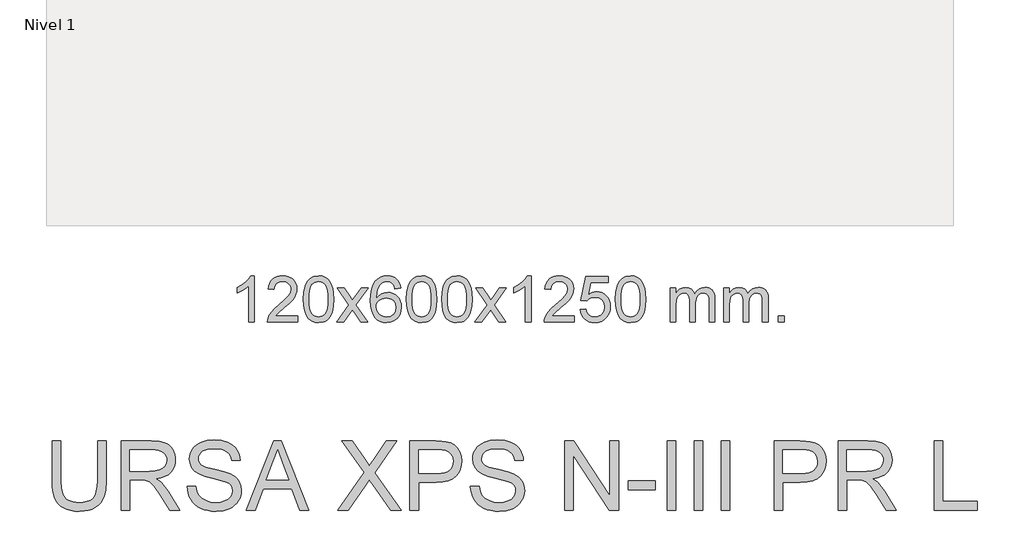
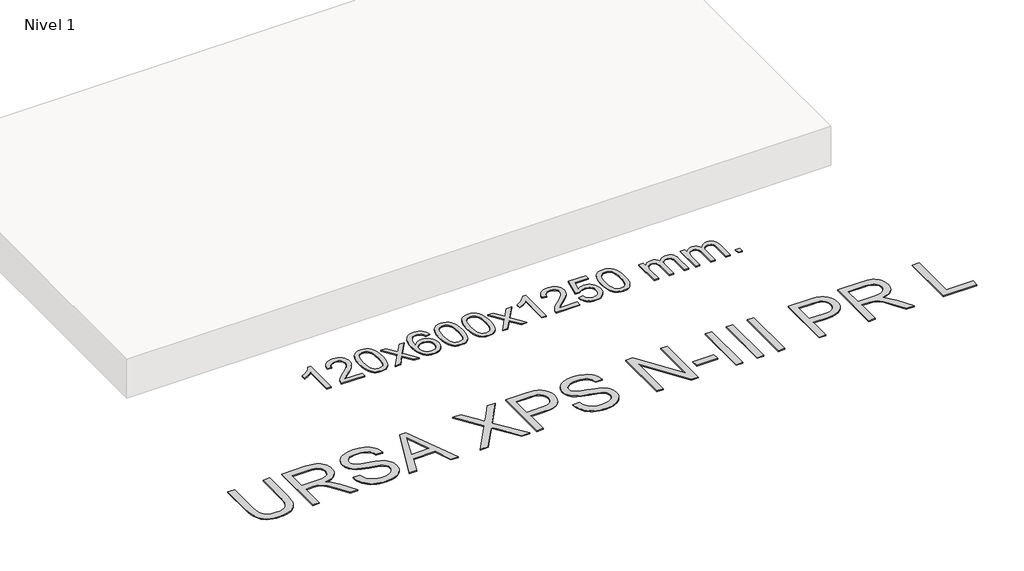
# One storey, part 4 of 5: 2 proxies.
"""IFC4 building model written with IfcOpenShell, lengths in millimetres."""

from ifc_helpers import new_model, si_unit, origin, origin_with_axes, place, context, project, spatial, polyline, outline, extrude, element, save

model = new_model("IFC4")

# Units and contexts
model_context = context("Model", 3, world=origin())
ifc_project = project(units=[si_unit("LENGTHUNIT", "METRE", prefix="MILLI")], contexts=[model_context])

# Site, building, storey
site = spatial("IfcSite", under=ifc_project)
building = spatial("IfcBuilding", under=site)
storey = spatial("IfcBuildingStorey", under=building, Name="Nivel 1", Elevation=0.0)

# Proxies
placement = place(None, origin())
element("IfcBuildingElementProxy", 1, Name="Texto de modelo 1", ObjectType="Texto de modelo 1", at=placement, inside=storey, context=model_context, shape_type="SweptSolid", body=[
    extrude(outline(polyline([(-11506.2923798, -12784.6168569), (-11556.5205348, -12784.6168569), (-11556.5205348, -12471.4757026), (-11577.4898086, -12488.4350626), (-11604.0999396, -12505.3698971), (-11656.976845, -12530.7292293), (-11656.976845, -12483.2479264), (-11617.5276324, -12461.7881434), (-11583.351395, -12436.2571329), (-11556.4101702, -12409.1074417), (-11538.6659953, -12382.7916163), (-11506.2923798, -12382.7916163), (-11506.2923798, -12784.6168569)])), origin_with_axes(), (0.0, 0.0, 1.0), 10.0),
    extrude(outline(polyline([(-11129.5812167, -12734.3887018), (-11129.5812167, -12784.6168569), (-11393.2790309, -12784.6168569), (-11392.1753849, -12766.9339956), (-11387.8834283, -12749.9868984), (-11375.4980678, -12722.9230463), (-11357.3737481, -12696.6685346), (-11331.1560246, -12669.1877495), (-11294.4904524, -12638.4450775), (-11240.2891718, -12590.301587), (-11207.7684034, -12554.7641863), (-11191.5080192, -12525.9222379), (-11186.0878912, -12497.8651044), (-11191.2014509, -12472.7142386), (-11206.5421301, -12451.8062786), (-11230.123366, -12437.7163982), (-11259.9585958, -12433.0197713), (-11291.2898791, -12437.6060336), (-11315.6314044, -12451.3648202), (-11331.3399656, -12473.2170107), (-11336.7723564, -12502.0834846), (-11387.0005115, -12495.8049652), (-11382.6809637, -12469.8754159), (-11374.8236174, -12447.2200164), (-11363.4284726, -12427.8387666), (-11348.4955293, -12411.7316666), (-11330.368144, -12399.0703946), (-11309.3896732, -12390.0266288), (-11285.560117, -12384.6003694), (-11258.8794753, -12382.7916163), (-11231.9597103, -12384.8027045), (-11208.0013953, -12390.8359692), (-11187.0045305, -12400.8914104), (-11168.9691157, -12414.9690281), (-11154.4837621, -12432.02649), (-11144.137081, -12451.0214636), (-11137.9290723, -12471.9539492), (-11135.8597361, -12494.8239465), (-11138.0915535, -12518.8466408), (-11144.7870058, -12542.4524022), (-11156.6695943, -12566.4628337), (-11174.4628201, -12591.6995386), (-11202.8265219, -12621.829074), (-11246.4205384, -12660.5179972), (-11304.2025371, -12708.8331659), (-11326.864068, -12734.3887018), (-11129.5812167, -12734.3887018)])), origin_with_axes(), (0.0, 0.0, 1.0), 10.0),
    extrude(outline(polyline([(-11079.3530616, -12586.9415981), (-11075.6619789, -12522.6235626), (-11064.5887309, -12471.3285498), (-11046.2436821, -12432.2717446), (-11034.3856191, -12417.0383643), (-11020.7371971, -12404.6683323), (-11005.2524308, -12395.097269), (-10987.8853349, -12388.2607953), (-10947.5041546, -12382.7916163), (-10916.553016, -12386.0289778), (-10888.8392391, -12395.7410625), (-10865.6626734, -12411.5477256), (-10848.3231687, -12433.0688223), (-10835.2265696, -12460.1204117), (-10824.778721, -12492.5185527), (-10817.9361159, -12533.6600225), (-10815.6552475, -12586.9415981), (-10819.309542, -12650.8917516), (-10830.2724254, -12702.0641372), (-10848.5071097, -12741.1577305), (-10860.3375815, -12756.437096), (-10873.9768065, -12768.8715075), (-10889.4799669, -12778.5069501), (-10906.902245, -12785.3894091), (-10947.5041546, -12790.8953763), (-10975.1688806, -12788.5041433), (-10999.6943469, -12781.3304444), (-11021.0805536, -12769.3742795), (-11039.3275006, -12752.6356488), (-11056.8386835, -12722.3773547), (-11069.3466714, -12684.6755815), (-11076.8514641, -12639.5303293), (-11079.3530616, -12586.9415981)]), holes=[polyline([(-11029.1249066, -12586.8434963), (-11027.6533786, -12630.5080234), (-11023.2387946, -12665.8522861), (-11015.8811547, -12692.8762843), (-11005.5804589, -12711.5800181), (-10993.121522, -12724.3056694), (-10979.2891589, -12733.3954204), (-10964.0833698, -12738.849271), (-10947.5041546, -12740.6672212), (-10930.9249393, -12738.8431396), (-10915.7191502, -12733.3708949), (-10901.8867872, -12724.2504871), (-10889.4278503, -12711.4819162), (-10879.1271544, -12692.7475256), (-10871.7695145, -12665.7296588), (-10867.3549305, -12630.4283156), (-10865.8834026, -12586.8434963), (-10867.3058796, -12544.3347317), (-10871.5733108, -12509.6128027), (-10878.685696, -12482.6777093), (-10888.6430353, -12463.5294515), (-10900.8935058, -12450.1814664), (-10914.8852843, -12440.6471914), (-10930.618371, -12434.9266264), (-10948.0927658, -12433.0197713), (-10964.5861419, -12434.6997658), (-10979.5344136, -12439.7397491), (-10992.937581, -12448.1397213), (-11004.7956439, -12459.8996825), (-11015.4396963, -12480.7463289), (-11023.0425909, -12508.8525133), (-11027.6043276, -12544.2182358), (-11029.1249066, -12586.8434963)])]), origin_with_axes(), (0.0, 0.0, 1.0), 10.0),
    extrude(outline(polyline([(-10790.54117, -12784.6168569), (-10683.2177292, -12636.2868364), (-10784.2626506, -12489.5264458), (-10723.8319015, -12489.5264458), (-10675.0752744, -12560.1597889), (-10652.3156416, -12593.5144231), (-10632.5971667, -12566.2421045), (-10577.0715109, -12489.5264458), (-10516.6407618, -12489.5264458), (-10622.7869802, -12636.2868364), (-10520.5648364, -12784.6168569), (-10580.9955855, -12784.6168569), (-10642.5054551, -12695.4422612), (-10653.7871696, -12679.1573516), (-10730.1104209, -12784.6168569), (-10790.54117, -12784.6168569)])), origin_with_axes(), (0.0, 0.0, 1.0), 10.0),
    extrude(outline(polyline([(-10231.7529447, -12489.5264458), (-10281.9810998, -12495.8049652), (-10290.0745037, -12470.9116168), (-10301.0128617, -12453.9154687), (-10323.7970199, -12438.2436957), (-10351.3391186, -12433.0197713), (-10374.6873626, -12436.0609292), (-10396.6621805, -12445.1844027), (-10415.5345268, -12464.4001055), (-10430.9487824, -12490.850821), (-10441.3598429, -12528.2644199), (-10445.2226038, -12580.3687731), (-10425.0749332, -12556.8611137), (-10400.9296116, -12540.2941611), (-10374.1355396, -12530.4717119), (-10346.0416179, -12527.1975621), (-10321.908559, -12529.4355109), (-10299.6394356, -12536.1493573), (-10279.2342476, -12547.3391013), (-10260.692995, -12563.004743), (-10245.2848708, -12582.2143145), (-10234.2790678, -12604.0358482), (-10227.675586, -12628.469344), (-10225.4744254, -12655.514802), (-10229.6192292, -12691.4813984), (-10242.0536406, -12724.8237699), (-10261.7475901, -12753.1016326), (-10287.671008, -12773.8747026), (-10318.646672, -12786.6402078), (-10353.4973597, -12790.8953763), (-10383.4398884, -12788.0749476), (-10410.4822807, -12779.6136617), (-10434.6245367, -12765.5115186), (-10455.8666562, -12745.7685182), (-10473.1847011, -12719.5507947), (-10485.5547332, -12686.0244822), (-10492.9767525, -12645.1895807), (-10495.4507589, -12597.0460903), (-10492.7039067, -12543.0716702), (-10484.46335, -12497.006713), (-10470.7290888, -12458.8512188), (-10451.5011232, -12428.6051874), (-10430.6606082, -12408.56175), (-10406.4968925, -12394.2450091), (-10379.009976, -12385.6549645), (-10348.199859, -12382.7916163), (-10325.0662128, -12384.5635812), (-10304.1275959, -12389.879476), (-10285.3840083, -12398.7393008), (-10268.8354499, -12411.1430554), (-10254.9295104, -12426.6738069), (-10244.1137798, -12444.9146225), (-10236.3882579, -12465.8655021), (-10231.7529447, -12489.5264458)]), holes=[polyline([(-10445.2226038, -12654.7299871), (-10442.3163361, -12676.9868478), (-10433.5975328, -12698.2381644), (-10420.0594753, -12716.5096368), (-10402.6954452, -12729.8269651), (-10381.7384342, -12737.9571571), (-10357.4214343, -12740.6672212), (-10324.2752665, -12735.0508894), (-10310.3601301, -12728.0304746), (-10298.2169585, -12718.201894), (-10288.3669181, -12705.9636863), (-10281.331175, -12691.7143904), (-10275.7025804, -12657.1825337), (-10281.2575986, -12624.036366), (-10288.2013712, -12610.4155351), (-10297.9226529, -12598.7628729), (-10310.1026127, -12589.4278673), (-10324.4224193, -12582.7600061), (-10359.4815735, -12577.4257172), (-10392.5786903, -12582.7600061), (-10420.2556791, -12598.7628729), (-10431.1787086, -12610.2622509), (-10438.9808726, -12623.4232293), (-10443.662171, -12638.245808), (-10445.2226038, -12654.7299871)])]), origin_with_axes(), (0.0, 0.0, 1.0), 10.0),
    extrude(outline(polyline([(-10181.5247897, -12586.9415981), (-10177.833707, -12522.6235626), (-10166.7604589, -12471.3285498), (-10148.4154101, -12432.2717446), (-10136.5573471, -12417.0383643), (-10122.9089251, -12404.6683323), (-10107.4241588, -12395.097269), (-10090.0570629, -12388.2607953), (-10049.6758826, -12382.7916163), (-10018.7247441, -12386.0289778), (-9991.0109671, -12395.7410625), (-9967.8344014, -12411.5477256), (-9950.4948967, -12433.0688223), (-9937.3982977, -12460.1204117), (-9926.950449, -12492.5185527), (-9920.1078439, -12533.6600225), (-9917.8269755, -12586.9415981), (-9921.48127, -12650.8917516), (-9932.4441535, -12702.0641372), (-9950.6788377, -12741.1577305), (-9962.5093095, -12756.437096), (-9976.1485345, -12768.8715075), (-9991.6516949, -12778.5069501), (-10009.0739731, -12785.3894091), (-10049.6758826, -12790.8953763), (-10077.3406086, -12788.5041433), (-10101.866075, -12781.3304444), (-10123.2522816, -12769.3742795), (-10141.4992286, -12752.6356488), (-10159.0104116, -12722.3773547), (-10171.5183994, -12684.6755815), (-10179.0231921, -12639.5303293), (-10181.5247897, -12586.9415981)]), holes=[polyline([(-10131.2966346, -12586.8434963), (-10129.8251066, -12630.5080234), (-10125.4105227, -12665.8522861), (-10118.0528828, -12692.8762843), (-10107.7521869, -12711.5800181), (-10095.29325, -12724.3056694), (-10081.460887, -12733.3954204), (-10066.2550978, -12738.849271), (-10049.6758826, -12740.6672212), (-10033.0966674, -12738.8431396), (-10017.8908782, -12733.3708949), (-10004.0585152, -12724.2504871), (-9991.5995783, -12711.4819162), (-9981.2988824, -12692.7475256), (-9973.9412425, -12665.7296588), (-9969.5266586, -12630.4283156), (-9968.0551306, -12586.8434963), (-9969.4776077, -12544.3347317), (-9973.7450388, -12509.6128027), (-9980.857424, -12482.6777093), (-9990.8147634, -12463.5294515), (-10003.0652338, -12450.1814664), (-10017.0570124, -12440.6471914), (-10032.790099, -12434.9266264), (-10050.2644938, -12433.0197713), (-10066.7578699, -12434.6997658), (-10081.7061416, -12439.7397491), (-10095.109309, -12448.1397213), (-10106.967372, -12459.8996825), (-10117.6114244, -12480.7463289), (-10125.2143189, -12508.8525133), (-10129.7760557, -12544.2182358), (-10131.2966346, -12586.8434963)])]), origin_with_axes(), (0.0, 0.0, 1.0), 10.0),
    extrude(outline(polyline([(-9873.8773398, -12586.9415981), (-9870.1862572, -12522.6235626), (-9859.1130091, -12471.3285498), (-9840.7679603, -12432.2717446), (-9828.9098973, -12417.0383643), (-9815.2614753, -12404.6683323), (-9799.776709, -12395.097269), (-9782.4096131, -12388.2607953), (-9742.0284328, -12382.7916163), (-9711.0772942, -12386.0289778), (-9683.3635173, -12395.7410625), (-9660.1869516, -12411.5477256), (-9642.8474469, -12433.0688223), (-9629.7508478, -12460.1204117), (-9619.3029992, -12492.5185527), (-9612.4603941, -12533.6600225), (-9610.1795257, -12586.9415981), (-9613.8338202, -12650.8917516), (-9624.7967036, -12702.0641372), (-9643.0313879, -12741.1577305), (-9654.8618597, -12756.437096), (-9668.5010847, -12768.8715075), (-9684.0042451, -12778.5069501), (-9701.4265232, -12785.3894091), (-9742.0284328, -12790.8953763), (-9769.6931588, -12788.5041433), (-9794.2186251, -12781.3304444), (-9815.6048318, -12769.3742795), (-9833.8517788, -12752.6356488), (-9851.3629617, -12722.3773547), (-9863.8709496, -12684.6755815), (-9871.3757423, -12639.5303293), (-9873.8773398, -12586.9415981)]), holes=[polyline([(-9823.6491848, -12586.8434963), (-9822.1776568, -12630.5080234), (-9817.7630728, -12665.8522861), (-9810.4054329, -12692.8762843), (-9800.1047371, -12711.5800181), (-9787.6458002, -12724.3056694), (-9773.8134372, -12733.3954204), (-9758.607648, -12738.849271), (-9742.0284328, -12740.6672212), (-9725.4492175, -12738.8431396), (-9710.2434284, -12733.3708949), (-9696.4110654, -12724.2504871), (-9683.9521285, -12711.4819162), (-9673.6514326, -12692.7475256), (-9666.2937927, -12665.7296588), (-9661.8792088, -12630.4283156), (-9660.4076808, -12586.8434963), (-9661.8301578, -12544.3347317), (-9666.097589, -12509.6128027), (-9673.2099742, -12482.6777093), (-9683.1673135, -12463.5294515), (-9695.417784, -12450.1814664), (-9709.4095625, -12440.6471914), (-9725.1426492, -12434.9266264), (-9742.617044, -12433.0197713), (-9759.1104201, -12434.6997658), (-9774.0586918, -12439.7397491), (-9787.4618592, -12448.1397213), (-9799.3199221, -12459.8996825), (-9809.9639745, -12480.7463289), (-9817.5668691, -12508.8525133), (-9822.1286058, -12544.2182358), (-9823.6491848, -12586.8434963)])]), origin_with_axes(), (0.0, 0.0, 1.0), 10.0),
    extrude(outline(polyline([(-9585.0654482, -12784.6168569), (-9477.7420074, -12636.2868364), (-9578.7869288, -12489.5264458), (-9518.3561797, -12489.5264458), (-9469.5995526, -12560.1597889), (-9446.8399198, -12593.5144231), (-9427.1214449, -12566.2421045), (-9371.5957891, -12489.5264458), (-9311.16504, -12489.5264458), (-9417.3112584, -12636.2868364), (-9315.0891146, -12784.6168569), (-9375.5198637, -12784.6168569), (-9437.0297333, -12695.4422612), (-9448.3114478, -12679.1573516), (-9524.6346991, -12784.6168569), (-9585.0654482, -12784.6168569)])), origin_with_axes(), (0.0, 0.0, 1.0), 10.0),
    extrude(outline(polyline([(-9095.3409362, -12784.6168569), (-9145.5690913, -12784.6168569), (-9145.5690913, -12471.4757026), (-9166.538365, -12488.4350626), (-9193.148496, -12505.3698971), (-9246.0254014, -12530.7292293), (-9246.0254014, -12483.2479264), (-9206.5761888, -12461.7881434), (-9172.3999514, -12436.2571329), (-9145.4587267, -12409.1074417), (-9127.7145518, -12382.7916163), (-9095.3409362, -12382.7916163), (-9095.3409362, -12784.6168569)])), origin_with_axes(), (0.0, 0.0, 1.0), 10.0),
    extrude(outline(polyline([(-8718.6297731, -12734.3887018), (-8718.6297731, -12784.6168569), (-8982.3275873, -12784.6168569), (-8981.2239413, -12766.9339956), (-8976.9319847, -12749.9868984), (-8964.5466242, -12722.9230463), (-8946.4223045, -12696.6685346), (-8920.204581, -12669.1877495), (-8883.5390088, -12638.4450775), (-8829.3377282, -12590.301587), (-8796.8169598, -12554.7641863), (-8780.5565756, -12525.9222379), (-8775.1364476, -12497.8651044), (-8780.2500073, -12472.7142386), (-8795.5906865, -12451.8062786), (-8819.1719224, -12437.7163982), (-8849.0071522, -12433.0197713), (-8880.3384355, -12437.6060336), (-8904.6799608, -12451.3648202), (-8920.388522, -12473.2170107), (-8925.8209128, -12502.0834846), (-8976.0490679, -12495.8049652), (-8971.7295201, -12469.8754159), (-8963.8721738, -12447.2200164), (-8952.477029, -12427.8387666), (-8937.5440857, -12411.7316666), (-8919.4167004, -12399.0703946), (-8898.4382296, -12390.0266288), (-8874.6086734, -12384.6003694), (-8847.9280317, -12382.7916163), (-8821.0082667, -12384.8027045), (-8797.0499518, -12390.8359692), (-8776.0530869, -12400.8914104), (-8758.0176721, -12414.9690281), (-8743.5323185, -12432.02649), (-8733.1856374, -12451.0214636), (-8726.9776287, -12471.9539492), (-8724.9082925, -12494.8239465), (-8727.1401099, -12518.8466408), (-8733.8355623, -12542.4524022), (-8745.7181507, -12566.4628337), (-8763.5113765, -12591.6995386), (-8791.8750784, -12621.829074), (-8835.4690948, -12660.5179972), (-8893.2510935, -12708.8331659), (-8915.9126244, -12734.3887018), (-8718.6297731, -12734.3887018)])), origin_with_axes(), (0.0, 0.0, 1.0), 10.0),
    extrude(outline(polyline([(-8668.401618, -12677.8820273), (-8618.173463, -12671.603508), (-8608.9518876, -12701.7575688), (-8592.8631817, -12723.3522419), (-8569.9809216, -12736.3384764), (-8540.3786837, -12740.6672212), (-8521.24882, -12739.1619707), (-8504.3752991, -12734.6462192), (-8489.7581212, -12727.1199667), (-8477.3972861, -12716.5832132), (-8467.5687055, -12703.5571249), (-8460.5482908, -12688.5628679), (-8454.931959, -12652.6698479), (-8460.1926715, -12618.8737553), (-8466.7685622, -12604.9555532), (-8475.9748091, -12593.0239138), (-8487.8420691, -12583.4528505), (-8502.4009991, -12576.6163768), (-8539.5938688, -12571.1471978), (-8563.9599196, -12573.3299643), (-8583.6906573, -12579.8782638), (-8599.4482694, -12589.9091796), (-8611.8949436, -12602.5397947), (-8662.1230987, -12596.2612753), (-8618.173463, -12389.0701357), (-8423.5393621, -12389.0701357), (-8423.5393621, -12439.2982907), (-8577.5592907, -12439.2982907), (-8599.0435992, -12549.9571949), (-8581.3178184, -12537.2530033), (-8563.162842, -12528.1785808), (-8544.5786698, -12522.7339272), (-8525.565302, -12520.9190427), (-8501.1042151, -12523.1692543), (-8478.6358222, -12529.9198889), (-8458.1601235, -12541.1709466), (-8439.6771189, -12556.9224273), (-8424.3762936, -12576.2117066), (-8413.4471327, -12598.0761598), (-8406.8896361, -12622.5157871), (-8404.7038039, -12649.5305882), (-8406.6719726, -12675.552108), (-8412.5764786, -12699.7587433), (-8422.417322, -12722.1504941), (-8436.1945027, -12742.7273604), (-8457.0656745, -12763.8008673), (-8481.4194626, -12778.8533723), (-8509.2558669, -12787.8848753), (-8540.5748875, -12790.8953763), (-8566.4952397, -12788.9609301), (-8589.907863, -12783.1575916), (-8610.8127574, -12773.4853608), (-8629.2099228, -12759.9442377), (-8644.5168795, -12743.2086726), (-8656.1511476, -12723.9531159), (-8664.1127271, -12702.1775674), (-8668.401618, -12677.8820273)])), origin_with_axes(), (0.0, 0.0, 1.0), 10.0),
    extrude(outline(polyline([(-8360.7541682, -12586.9415981), (-8357.0630855, -12522.6235626), (-8345.9898375, -12471.3285498), (-8327.6447886, -12432.2717446), (-8315.7867257, -12417.0383643), (-8302.1383036, -12404.6683323), (-8286.6535373, -12395.097269), (-8269.2864415, -12388.2607953), (-8228.9052611, -12382.7916163), (-8197.9541226, -12386.0289778), (-8170.2403456, -12395.7410625), (-8147.0637799, -12411.5477256), (-8129.7242752, -12433.0688223), (-8116.6276762, -12460.1204117), (-8106.1798275, -12492.5185527), (-8099.3372224, -12533.6600225), (-8097.0563541, -12586.9415981), (-8100.7106486, -12650.8917516), (-8111.673532, -12702.0641372), (-8129.9082162, -12741.1577305), (-8141.7386881, -12756.437096), (-8155.377913, -12768.8715075), (-8170.8810734, -12778.5069501), (-8188.3033516, -12785.3894091), (-8228.9052611, -12790.8953763), (-8256.5699872, -12788.5041433), (-8281.0954535, -12781.3304444), (-8302.4816602, -12769.3742795), (-8320.7286071, -12752.6356488), (-8338.2397901, -12722.3773547), (-8350.7477779, -12684.6755815), (-8358.2525706, -12639.5303293), (-8360.7541682, -12586.9415981)]), holes=[polyline([(-8310.5260131, -12586.8434963), (-8309.0544852, -12630.5080234), (-8304.6399012, -12665.8522861), (-8297.2822613, -12692.8762843), (-8286.9815654, -12711.5800181), (-8274.5226285, -12724.3056694), (-8260.6902655, -12733.3954204), (-8245.4844764, -12738.849271), (-8228.9052611, -12740.6672212), (-8212.3260459, -12738.8431396), (-8197.1202568, -12733.3708949), (-8183.2878937, -12724.2504871), (-8170.8289568, -12711.4819162), (-8160.528261, -12692.7475256), (-8153.1706211, -12665.7296588), (-8148.7560371, -12630.4283156), (-8147.2845091, -12586.8434963), (-8148.7069862, -12544.3347317), (-8152.9744173, -12509.6128027), (-8160.0868026, -12482.6777093), (-8170.0441419, -12463.5294515), (-8182.2946123, -12450.1814664), (-8196.2863909, -12440.6471914), (-8212.0194776, -12434.9266264), (-8229.4938723, -12433.0197713), (-8245.9872484, -12434.6997658), (-8260.9355202, -12439.7397491), (-8274.3386875, -12448.1397213), (-8286.1967505, -12459.8996825), (-8296.8408029, -12480.7463289), (-8304.4436975, -12508.8525133), (-8309.0054342, -12544.2182358), (-8310.5260131, -12586.8434963)])]), origin_with_axes(), (0.0, 0.0, 1.0), 10.0),
    extrude(outline(polyline([(-7883.586695, -12784.6168569), (-7883.586695, -12489.5264458), (-7833.3585399, -12489.5264458), (-7833.3585399, -12538.0868692), (-7818.2508527, -12515.7809575), (-7798.8266833, -12498.3065628), (-7775.7482195, -12487.0125855), (-7749.6776488, -12483.2479264), (-7721.7431426, -12487.0861619), (-7699.3513918, -12498.6008684), (-7682.6250238, -12517.0317563), (-7671.6866658, -12541.6185363), (-7653.3784052, -12516.0813945), (-7632.4949706, -12497.8405789), (-7609.036362, -12486.8960895), (-7583.0025795, -12483.2479264), (-7562.8947628, -12484.7654397), (-7545.245624, -12489.3179793), (-7530.0551633, -12496.9055455), (-7517.3233806, -12507.5281381), (-7507.2587423, -12521.3083845), (-7500.069715, -12538.368912), (-7495.7562986, -12558.7097207), (-7494.3184932, -12582.3308105), (-7494.3184932, -12784.6168569), (-7544.5466482, -12784.6168569), (-7544.5466482, -12603.9132208), (-7545.7116079, -12578.860457), (-7549.2064868, -12561.9746734), (-7555.7547864, -12550.410916), (-7566.0800077, -12541.3242307), (-7579.3605477, -12535.4381188), (-7594.7748033, -12533.4760815), (-7621.9858082, -12538.5038021), (-7644.1690925, -12553.5869639), (-7652.7744655, -12565.1568526), (-7658.9211605, -12579.7556365), (-7663.8385165, -12618.0398895), (-7663.8385165, -12784.6168569), (-7714.0666716, -12784.6168569), (-7714.0666716, -12598.3214145), (-7716.9729394, -12569.9209245), (-7725.6917427, -12549.6628893), (-7741.0324219, -12537.5227834), (-7763.8043174, -12533.4760815), (-7783.1549103, -12536.1738828), (-7800.9849243, -12544.2672867), (-7815.7002042, -12557.5600894), (-7825.7065944, -12575.8560873), (-7831.4455535, -12601.239945), (-7833.3585399, -12635.7963271), (-7833.3585399, -12784.6168569), (-7883.586695, -12784.6168569)])), origin_with_axes(), (0.0, 0.0, 1.0), 10.0),
    extrude(outline(polyline([(-7418.9762606, -12784.6168569), (-7418.9762606, -12489.5264458), (-7368.7481055, -12489.5264458), (-7368.7481055, -12538.0868692), (-7353.6404182, -12515.7809575), (-7334.2162489, -12498.3065628), (-7311.137785, -12487.0125855), (-7285.0672143, -12483.2479264), (-7257.1327081, -12487.0861619), (-7234.7409574, -12498.6008684), (-7218.0145893, -12517.0317563), (-7207.0762313, -12541.6185363), (-7188.7679707, -12516.0813945), (-7167.8845361, -12497.8405789), (-7144.4259276, -12486.8960895), (-7118.392145, -12483.2479264), (-7098.2843283, -12484.7654397), (-7080.6351896, -12489.3179793), (-7065.4447289, -12496.9055455), (-7052.7129462, -12507.5281381), (-7042.6483079, -12521.3083845), (-7035.4592806, -12538.368912), (-7031.1458642, -12558.7097207), (-7029.7080587, -12582.3308105), (-7029.7080587, -12784.6168569), (-7079.9362138, -12784.6168569), (-7079.9362138, -12603.9132208), (-7081.1011735, -12578.860457), (-7084.5960524, -12561.9746734), (-7091.1443519, -12550.410916), (-7101.4695733, -12541.3242307), (-7114.7501133, -12535.4381188), (-7130.1643689, -12533.4760815), (-7157.3753738, -12538.5038021), (-7179.5586581, -12553.5869639), (-7188.1640311, -12565.1568526), (-7194.3107261, -12579.7556365), (-7199.2280821, -12618.0398895), (-7199.2280821, -12784.6168569), (-7249.4562372, -12784.6168569), (-7249.4562372, -12598.3214145), (-7252.3625049, -12569.9209245), (-7261.0813082, -12549.6628893), (-7276.4219874, -12537.5227834), (-7299.1938829, -12533.4760815), (-7318.5444759, -12536.1738828), (-7336.3744899, -12544.2672867), (-7351.0897697, -12557.5600894), (-7361.09616, -12575.8560873), (-7366.8351191, -12601.239945), (-7368.7481055, -12635.7963271), (-7368.7481055, -12784.6168569), (-7418.9762606, -12784.6168569)])), origin_with_axes(), (0.0, 0.0, 1.0), 10.0),
    extrude(outline(polyline([(-6941.8087873, -12784.6168569), (-6941.8087873, -12734.3887018), (-6891.5806323, -12734.3887018), (-6891.5806323, -12784.6168569), (-6941.8087873, -12784.6168569)])), origin_with_axes(), (0.0, 0.0, 1.0), 10.0),
])
element("IfcBuildingElementProxy", 2, Name="Texto de modelo 3", ObjectType="Texto de modelo 3", at=placement, inside=storey, context=model_context, shape_type="SweptSolid", body=[
    extrude(outline(polyline([(-12872.9793286, -13823.3522814), (-12797.637096, -13823.3522814), (-12797.637096, -14171.0743432), (-12802.7506557, -14252.5050228), (-12809.1426054, -14286.1984151), (-12818.0913349, -14315.2105089), (-12830.3693965, -14340.6403518), (-12846.7493424, -14363.5869913), (-12867.2311724, -14384.0504273), (-12891.8148868, -14402.0306598), (-12920.5280765, -14416.6769617), (-12953.3983328, -14427.1386059), (-12990.4256556, -14433.4155925), (-13031.6100449, -14435.5079213), (-13071.7781603, -14433.6869055), (-13108.1111058, -14428.2238578), (-13140.6088816, -14419.1187784), (-13169.2714875, -14406.3716673), (-13194.1035222, -14390.1710639), (-13215.1095841, -14370.7055079), (-13232.2896733, -14347.9749991), (-13245.6437897, -14321.9795376), (-13255.6547785, -14291.8270096), (-13262.8054848, -14256.6253012), (-13267.0959086, -14216.3744124), (-13268.5260498, -14171.0743432), (-13268.5260498, -13823.3522814), (-13193.1838172, -13823.3522814), (-13193.1838172, -14168.4255928), (-13189.4682091, -14236.134274), (-13178.3213846, -14283.2783517), (-13169.5565961, -14300.6561775), (-13158.1246631, -14315.9278788), (-13144.0255856, -14329.0934557), (-13127.2593637, -14340.1529082), (-13087.0130734, -14355.1624936), (-13038.6733792, -14360.1656887), (-12997.148699, -14357.6916823), (-12962.0435597, -14350.269663), (-12933.3579611, -14337.899631), (-12911.0919033, -14320.581586), (-12894.4176519, -14296.227798), (-12882.5074723, -14262.7505364), (-12875.3613645, -14220.1498014), (-12872.9793286, -14168.4255928), (-12872.9793286, -13823.3522814)])), origin_with_axes(), (0.0, 0.0, 1.0), 10.0),
    extrude(outline(polyline([(-12665.7881889, -14426.0901423), (-12665.7881889, -13823.3522814), (-12406.0635003, -13823.3522814), (-12336.2578918, -13827.4173774), (-12285.4717823, -13839.6126655), (-12265.872869, -13849.3063561), (-12248.352489, -13862.1270436), (-12232.9106423, -13878.0747281), (-12219.5473288, -13897.1494096), (-12208.7637878, -13918.3256169), (-12201.0612585, -13940.5778791), (-12196.439741, -13963.9061961), (-12194.8992351, -13988.310568), (-12197.4514165, -14019.2678379), (-12205.1079605, -14047.686722), (-12217.8688672, -14073.5672204), (-12235.7341366, -14096.909333), (-12258.9336949, -14116.9680988), (-12287.6974684, -14132.9985567), (-12322.0254571, -14145.0007068), (-12361.9176609, -14152.974549), (-12337.0856262, -14169.198145), (-12319.0961967, -14185.2010118), (-12288.2308973, -14221.8052703), (-12258.0277855, -14262.7505364), (-12157.5224244, -14426.0901423), (-12245.0783393, -14426.0901423), (-12323.5107806, -14301.1574167), (-12380.1646079, -14218.4575442), (-12401.2258521, -14194.3428794), (-12419.9694398, -14179.3884763), (-12455.8011461, -14165.0410785), (-12499.5055271, -14162.3923281), (-12590.4459563, -14162.3923281), (-12590.4459563, -14426.0901423), (-12665.7881889, -14426.0901423)]), holes=[polyline([(-12590.4459563, -14087.0500955), (-12421.8088497, -14087.0500955), (-12373.3771851, -14084.382951), (-12335.7980393, -14076.3815176), (-12307.5079138, -14062.5123664), (-12286.9433103, -14042.2420685), (-12274.4169284, -14017.7227335), (-12270.2414677, -13991.1064712), (-12272.232629, -13971.8386517), (-12278.2061129, -13954.3550598), (-12288.1619194, -13938.6556957), (-12302.1000485, -13924.7405592), (-12320.3423969, -13913.3454144), (-12343.2108615, -13905.2060253), (-12370.7054421, -13900.3223918), (-12402.8261388, -13898.694514), (-12590.4459563, -13898.694514), (-12590.4459563, -14087.0500955)])]), origin_with_axes(), (0.0, 0.0, 1.0), 10.0),
    extrude(outline(polyline([(-12091.3036653, -14218.8990026), (-12015.9614327, -14218.8990026), (-12007.3162058, -14260.7087913), (-11991.681221, -14294.3148116), (-11967.2906447, -14320.9862562), (-11932.3786434, -14341.9923182), (-11889.7043319, -14355.6223461), (-11842.0268253, -14360.1656887), (-11800.0514897, -14356.7259921), (-11763.3000784, -14346.4069021), (-11733.5200309, -14330.0729415), (-11712.4587866, -14308.588633), (-11699.9324047, -14283.9221452), (-11695.7569441, -14258.0416469), (-11698.883941, -14232.8233361), (-11708.2649319, -14211.0263279), (-11727.3212192, -14192.429893), (-11759.4741056, -14176.8133023), (-11869.1765166, -14148.0449303), (-11941.1894171, -14129.007037), (-11987.266637, -14110.8888488), (-12024.7722064, -14085.5417793), (-12051.3516806, -14054.8236327), (-12067.1890005, -14019.3965966), (-12072.4681071, -13979.9228585), (-12070.8356308, -13957.4866553), (-12065.9382017, -13935.7954132), (-12057.7758199, -13914.8491321), (-12046.3484855, -13894.647812), (-12031.784957, -13876.014589), (-12014.2139932, -13859.7725989), (-11993.6355941, -13845.9218418), (-11970.0497597, -13834.4623176), (-11917.0379642, -13819.0664561), (-11858.3607859, -13813.9345023), (-11794.7907772, -13819.3055794), (-11739.1670195, -13835.4188108), (-11714.8316255, -13847.4209609), (-11693.4760757, -13861.9431027), (-11675.10037, -13878.9852361), (-11659.7045085, -13898.5473612), (-11647.4080528, -13920.0592608), (-11638.3305646, -13942.950718), (-11632.4720438, -13967.2217326), (-11629.8324905, -13992.8723047), (-11705.1747231, -13992.8723047), (-11710.2147065, -13968.8312163), (-11719.0070861, -13947.9171249), (-11731.5518622, -13930.1300305), (-11747.8490346, -13915.4699329), (-11768.202106, -13904.0104088), (-11792.914579, -13895.8250344), (-11821.9864536, -13890.9138098), (-11855.41773, -13889.2767349), (-11889.9158641, -13890.8954157), (-11919.3924089, -13895.751458), (-11943.8473646, -13903.8448619), (-11963.2807309, -13915.1756274), (-11978.0879813, -13928.7964582), (-11988.6645886, -13943.7600584), (-11995.010553, -13960.0664278), (-11997.1258745, -13977.7155665), (-11995.6267554, -13992.8998959), (-11991.129398, -14006.6678796), (-11983.6338023, -14019.0195175), (-11973.1399684, -14029.9548098), (-11956.6220668, -14040.310688), (-11930.6128098, -14050.7769308), (-11850.1202292, -14072.0405101), (-11767.0524747, -14092.2372316), (-11716.7997942, -14109.8587792), (-11673.8495712, -14137.1924114), (-11657.2442977, -14153.2596576), (-11643.8855827, -14170.9271904), (-11633.6170765, -14190.1030394), (-11626.2824293, -14210.6952341), (-11620.4147114, -14256.1286605), (-11622.1023701, -14279.6961008), (-11627.1653461, -14302.5737624), (-11635.6036393, -14324.7616452), (-11647.4172499, -14346.2597493), (-11662.3992441, -14366.2357416), (-11680.3426885, -14383.8572892), (-11701.2475828, -14399.124392), (-11725.1139273, -14412.03705), (-11751.2473445, -14422.3055562), (-11778.9534573, -14429.6402035), (-11839.0837694, -14435.5079213), (-11877.6240069, -14433.9260288), (-11912.8992917, -14429.180351), (-11944.9096238, -14421.2708881), (-11973.6550032, -14410.1976401), (-11999.3101738, -14395.9422127), (-12022.0498797, -14378.4862121), (-12041.8741207, -14357.829638), (-12058.7828969, -14333.9724907), (-12072.4037278, -14307.6873221), (-12082.3641328, -14279.7466846), (-12088.664112, -14250.1505781), (-12091.3036653, -14218.8990026)])), origin_with_axes(), (0.0, 0.0, 1.0), 10.0),
    extrude(outline(polyline([(-11577.5932472, -14426.0901423), (-11336.9984224, -13823.3522814), (-11272.8398024, -13823.3522814), (-11032.2449776, -14426.0901423), (-11111.8546413, -14426.0901423), (-11180.8693036, -14237.7345607), (-11429.116074, -14237.7345607), (-11497.9835834, -14426.0901423), (-11577.5932472, -14426.0901423)]), holes=[polyline([(-11401.4513479, -14162.3923281), (-11208.3868768, -14162.3923281), (-11262.6862593, -14014.2094605), (-11304.9191124, -13898.694514), (-11342.4430759, -14001.2600142), (-11401.4513479, -14162.3923281)])]), origin_with_axes(), (0.0, 0.0, 1.0), 10.0),
    extrude(outline(polyline([(-10782.2323736, -14426.0901423), (-10549.8781055, -14097.645097), (-10744.5612573, -13823.3522814), (-10654.2094393, -13823.3522814), (-10544.5806047, -13977.7155665), (-10518.4241949, -14016.8214226), (-10507.6452524, -14037.9010609), (-10464.3823298, -13976.6854969), (-10355.9307176, -13823.3522814), (-10264.2545244, -13823.3522814), (-10458.9376763, -14098.5280137), (-10226.5834081, -14426.0901423), (-10316.9352261, -14426.0901423), (-10471.7399697, -14207.7153899), (-10503.9664325, -14162.3923281), (-10539.4302568, -14212.1299739), (-10690.5561804, -14426.0901423), (-10782.2323736, -14426.0901423)])), origin_with_axes(), (0.0, 0.0, 1.0), 10.0),
    extrude(outline(polyline([(-10151.2411755, -14426.0901423), (-10151.2411755, -13823.3522814), (-9927.863228, -13823.3522814), (-9875.8447139, -13824.7870211), (-9837.8057156, -13829.0912405), (-9797.6513958, -13839.8150006), (-9764.5971986, -13857.2710013), (-9737.9809362, -13882.2501888), (-9717.1404212, -13915.5435093), (-9703.6759402, -13954.8149123), (-9699.1877798, -13997.7283471), (-9702.2182078, -14034.7280787), (-9711.3094916, -14068.7663603), (-9726.4616312, -14099.8431919), (-9747.6746268, -14127.9585734), (-9776.7970852, -14151.2638978), (-9815.6776136, -14167.910558), (-9864.3162119, -14177.8985542), (-9922.7128801, -14181.2278863), (-10075.8989429, -14181.2278863), (-10075.8989429, -14426.0901423), (-10151.2411755, -14426.0901423)]), holes=[polyline([(-10075.8989429, -14105.8856537), (-9918.2982962, -14105.8856537), (-9882.0619196, -14104.1566083), (-9851.4909258, -14098.9694721), (-9826.5853148, -14090.3242453), (-9807.3450864, -14078.2209276), (-9792.9884916, -14062.981416), (-9782.7337809, -14044.9276071), (-9776.5809546, -14024.0595009), (-9774.5300124, -14000.3770974), (-9779.3676607, -13966.5319539), (-9793.8806054, -13937.9843111), (-9816.2662248, -13916.5000025), (-9844.7218971, -13903.8448619), (-9873.7845747, -13899.982101), (-9920.0641297, -13898.694514), (-10075.8989429, -13898.694514), (-10075.8989429, -14105.8856537)])]), origin_with_axes(), (0.0, 0.0, 1.0), 10.0),
    extrude(outline(polyline([(-9623.8455472, -14218.8990026), (-9548.5033146, -14218.8990026), (-9539.8580877, -14260.7087913), (-9524.2231029, -14294.3148116), (-9499.8325266, -14320.9862562), (-9464.9205253, -14341.9923182), (-9422.2462139, -14355.6223461), (-9374.5687073, -14360.1656887), (-9332.5933716, -14356.7259921), (-9295.8419603, -14346.4069021), (-9266.0619128, -14330.0729415), (-9245.0006686, -14308.588633), (-9232.4742866, -14283.9221452), (-9228.298826, -14258.0416469), (-9231.425823, -14232.8233361), (-9240.8068138, -14211.0263279), (-9259.8631012, -14192.429893), (-9292.0159876, -14176.8133023), (-9401.7183985, -14148.0449303), (-9473.7312991, -14129.007037), (-9519.808519, -14110.8888488), (-9557.3140884, -14085.5417793), (-9583.8935625, -14054.8236327), (-9599.7308824, -14019.3965966), (-9605.0099891, -13979.9228585), (-9603.3775127, -13957.4866553), (-9598.4800837, -13935.7954132), (-9590.3177019, -13914.8491321), (-9578.8903674, -13894.647812), (-9564.3268389, -13876.014589), (-9546.7558751, -13859.7725989), (-9526.177476, -13845.9218418), (-9502.5916416, -13834.4623176), (-9449.5798461, -13819.0664561), (-9390.9026679, -13813.9345023), (-9327.3326591, -13819.3055794), (-9271.7089014, -13835.4188108), (-9247.3735075, -13847.4209609), (-9226.0179576, -13861.9431027), (-9207.642252, -13878.9852361), (-9192.2463905, -13898.5473612), (-9179.9499348, -13920.0592608), (-9170.8724466, -13942.950718), (-9165.0139258, -13967.2217326), (-9162.3743725, -13992.8723047), (-9237.7166051, -13992.8723047), (-9242.7565884, -13968.8312163), (-9251.5489681, -13947.9171249), (-9264.0937441, -13930.1300305), (-9280.3909165, -13915.4699329), (-9300.7439879, -13904.0104088), (-9325.4564609, -13895.8250344), (-9354.5283356, -13890.9138098), (-9387.9596119, -13889.2767349), (-9422.457746, -13890.8954157), (-9451.9342909, -13895.751458), (-9476.3892465, -13903.8448619), (-9495.8226129, -13915.1756274), (-9510.6298632, -13928.7964582), (-9521.2064706, -13943.7600584), (-9527.552435, -13960.0664278), (-9529.6677565, -13977.7155665), (-9528.1686373, -13992.8998959), (-9523.6712799, -14006.6678796), (-9516.1756843, -14019.0195175), (-9505.6818504, -14029.9548098), (-9489.1639488, -14040.310688), (-9463.1546917, -14050.7769308), (-9382.6621112, -14072.0405101), (-9299.5943567, -14092.2372316), (-9249.3416761, -14109.8587792), (-9206.3914532, -14137.1924114), (-9189.7861796, -14153.2596576), (-9176.4274647, -14170.9271904), (-9166.1589585, -14190.1030394), (-9158.8243112, -14210.6952341), (-9152.9565934, -14256.1286605), (-9154.644252, -14279.6961008), (-9159.707228, -14302.5737624), (-9168.1455213, -14324.7616452), (-9179.9591318, -14346.2597493), (-9194.9411261, -14366.2357416), (-9212.8845704, -14383.8572892), (-9233.7894648, -14399.124392), (-9257.6558092, -14412.03705), (-9283.7892265, -14422.3055562), (-9311.4953392, -14429.6402035), (-9371.6256513, -14435.5079213), (-9410.1658888, -14433.9260288), (-9445.4411737, -14429.180351), (-9477.4515058, -14421.2708881), (-9506.1968852, -14410.1976401), (-9531.8520558, -14395.9422127), (-9554.5917616, -14378.4862121), (-9574.4160026, -14357.829638), (-9591.3247788, -14333.9724907), (-9604.9456097, -14307.6873221), (-9614.9060147, -14279.7466846), (-9621.2059939, -14250.1505781), (-9623.8455472, -14218.8990026)])), origin_with_axes(), (0.0, 0.0, 1.0), 10.0),
    extrude(outline(polyline([(-8804.4987676, -14426.0901423), (-8804.4987676, -13823.3522814), (-8723.8590342, -13823.3522814), (-8408.9520463, -14300.8631111), (-8408.9520463, -13823.3522814), (-8333.6098137, -13823.3522814), (-8333.6098137, -14426.0901423), (-8414.2495471, -14426.0901423), (-8729.1565349, -13948.4321597), (-8729.1565349, -14426.0901423), (-8804.4987676, -14426.0901423)])), origin_with_axes(), (0.0, 0.0, 1.0), 10.0),
    extrude(outline(polyline([(-8248.849802, -14247.1523398), (-8248.849802, -14171.8101072), (-8013.4053251, -14171.8101072), (-8013.4053251, -14247.1523398), (-8248.849802, -14247.1523398)])), origin_with_axes(), (0.0, 0.0, 1.0), 10.0),
    extrude(outline(polyline([(-7909.8097553, -14426.0901423), (-7909.8097553, -13823.3522814), (-7834.4675227, -13823.3522814), (-7834.4675227, -14426.0901423), (-7909.8097553, -14426.0901423)])), origin_with_axes(), (0.0, 0.0, 1.0), 10.0),
    extrude(outline(polyline([(-7674.3652784, -14426.0901423), (-7674.3652784, -13823.3522814), (-7599.0230458, -13823.3522814), (-7599.0230458, -14426.0901423), (-7674.3652784, -14426.0901423)])), origin_with_axes(), (0.0, 0.0, 1.0), 10.0),
    extrude(outline(polyline([(-7438.9208015, -14426.0901423), (-7438.9208015, -13823.3522814), (-7363.5785689, -13823.3522814), (-7363.5785689, -14426.0901423), (-7438.9208015, -14426.0901423)])), origin_with_axes(), (0.0, 0.0, 1.0), 10.0),
    extrude(outline(polyline([(-6977.4496267, -14426.0901423), (-6977.4496267, -13823.3522814), (-6754.0716792, -13823.3522814), (-6702.0531651, -13824.7870211), (-6664.0141668, -13829.0912405), (-6623.8598471, -13839.8150006), (-6590.8056498, -13857.2710013), (-6564.1893874, -13882.2501888), (-6543.3488724, -13915.5435093), (-6529.8843914, -13954.8149123), (-6525.396231, -13997.7283471), (-6528.426659, -14034.7280787), (-6537.5179428, -14068.7663603), (-6552.6700825, -14099.8431919), (-6573.883078, -14127.9585734), (-6603.0055364, -14151.2638978), (-6641.8860648, -14167.910558), (-6690.5246631, -14177.8985542), (-6748.9213313, -14181.2278863), (-6902.1073941, -14181.2278863), (-6902.1073941, -14426.0901423), (-6977.4496267, -14426.0901423)]), holes=[polyline([(-6902.1073941, -14105.8856537), (-6744.5067474, -14105.8856537), (-6708.2703708, -14104.1566083), (-6677.699377, -14098.9694721), (-6652.793766, -14090.3242453), (-6633.5535376, -14078.2209276), (-6619.1969428, -14062.981416), (-6608.9422321, -14044.9276071), (-6602.7894058, -14024.0595009), (-6600.7384637, -14000.3770974), (-6605.5761119, -13966.5319539), (-6620.0890566, -13937.9843111), (-6642.474676, -13916.5000025), (-6670.9303483, -13903.8448619), (-6699.993026, -13899.982101), (-6746.2725809, -13898.694514), (-6902.1073941, -13898.694514), (-6902.1073941, -14105.8856537)])]), origin_with_axes(), (0.0, 0.0, 1.0), 10.0),
    extrude(outline(polyline([(-6421.8006612, -14426.0901423), (-6421.8006612, -13823.3522814), (-6162.0759726, -13823.3522814), (-6092.270364, -13827.4173774), (-6041.4842546, -13839.6126655), (-6021.8853413, -13849.3063561), (-6004.3649613, -13862.1270436), (-5988.9231145, -13878.0747281), (-5975.5598011, -13897.1494096), (-5964.7762601, -13918.3256169), (-5957.0737308, -13940.5778791), (-5952.4522132, -13963.9061961), (-5950.9117074, -13988.310568), (-5953.4638887, -14019.2678379), (-5961.1204327, -14047.686722), (-5973.8813394, -14073.5672204), (-5991.7466088, -14096.909333), (-6014.9461672, -14116.9680988), (-6043.7099407, -14132.9985567), (-6078.0379293, -14145.0007068), (-6117.9301332, -14152.974549), (-6093.0980985, -14169.198145), (-6075.1086689, -14185.2010118), (-6044.2433696, -14221.8052703), (-6014.0402577, -14262.7505364), (-5913.5348967, -14426.0901423), (-6001.0908115, -14426.0901423), (-6079.5232529, -14301.1574167), (-6136.1770801, -14218.4575442), (-6157.2383244, -14194.3428794), (-6175.981912, -14179.3884763), (-6211.8136184, -14165.0410785), (-6255.5179994, -14162.3923281), (-6346.4584286, -14162.3923281), (-6346.4584286, -14426.0901423), (-6421.8006612, -14426.0901423)]), holes=[polyline([(-6346.4584286, -14087.0500955), (-6177.821322, -14087.0500955), (-6129.3896573, -14084.382951), (-6091.8105115, -14076.3815176), (-6063.5203861, -14062.5123664), (-6042.9557826, -14042.2420685), (-6030.4294006, -14017.7227335), (-6026.25394, -13991.1064712), (-6028.2451013, -13971.8386517), (-6034.2185852, -13954.3550598), (-6044.1743917, -13938.6556957), (-6058.1125208, -13924.7405592), (-6076.3548692, -13913.3454144), (-6099.2233337, -13905.2060253), (-6126.7179143, -13900.3223918), (-6158.838611, -13898.694514), (-6346.4584286, -13898.694514), (-6346.4584286, -14087.0500955)])]), origin_with_axes(), (0.0, 0.0, 1.0), 10.0),
    extrude(outline(polyline([(-5583.6183234, -14426.0901423), (-5583.6183234, -13823.3522814), (-5508.2760908, -13823.3522814), (-5508.2760908, -14350.7479096), (-5206.9071603, -14350.7479096), (-5206.9071603, -14426.0901423), (-5583.6183234, -14426.0901423)])), origin_with_axes(), (0.0, 0.0, 1.0), 10.0),
])

save(model, "model.ifc")
